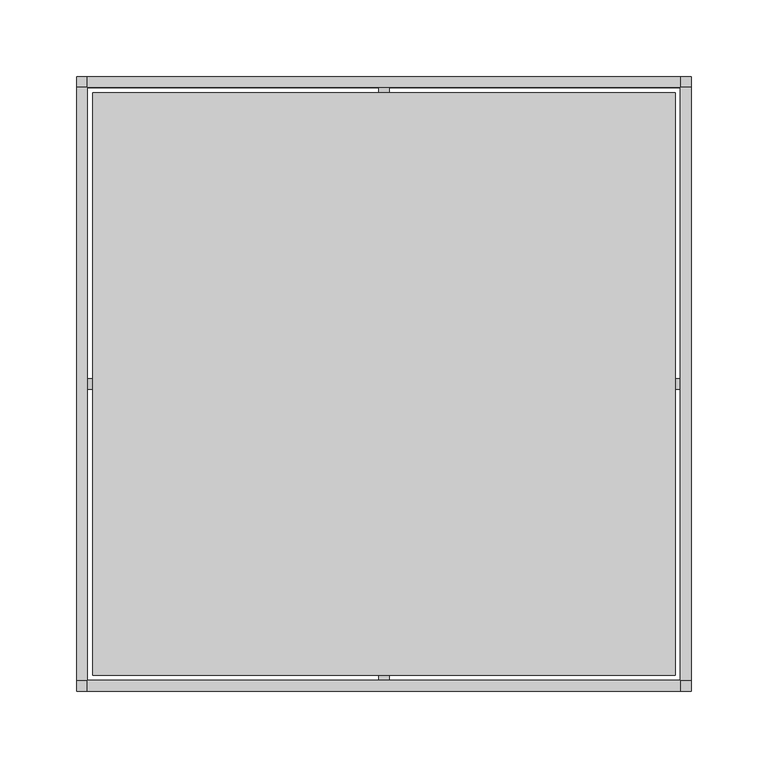
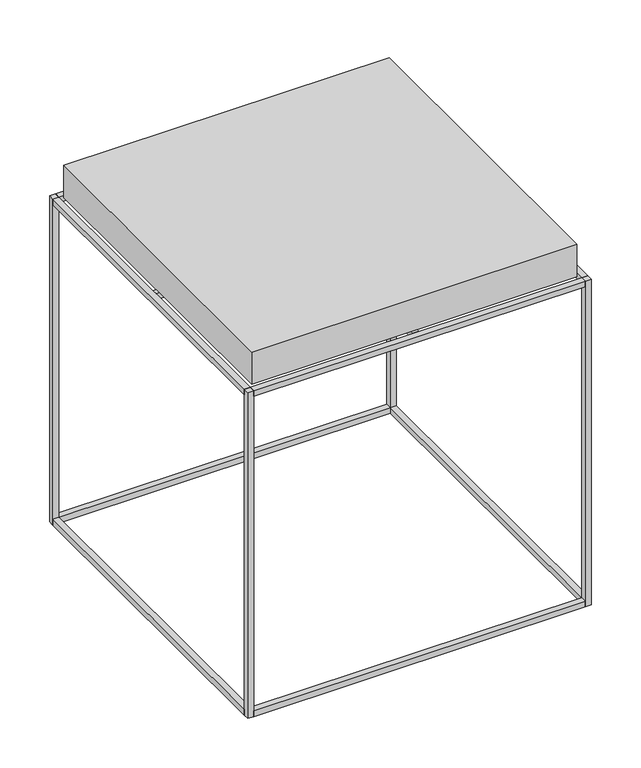
"""IFC4 building model written with IfcOpenShell, lengths in millimetres: furniture geometry."""

import ifcopenshell
import ifcopenshell.guid

model = None  # the IFC model being written
_history = None  # IfcOwnerHistory: only IFC2X3 demands one
_inside = {}  # id of a spatial element -> (the spatial element, [elements in it])
_under = {}  # id of a project, library or spatial element -> (it, [spatial elements below it])
_declared = {}  # id of a project -> (the project, [libraries it declares])
_typed = {}  # id of a type object -> (the type object, [elements of that type])
_made_of = {}  # id of a material, layer set ... -> (it, [elements and type objects made of it])


def new_model(schema):
    """Start an empty IFC model of exactly this schema.

    Asked for "IFC4X3", IfcOpenShell would pick the latest addendum, in which some entities
    have other attributes; the version numbers below select the first issue.
    IFC2X3 requires an IfcOwnerHistory on every rooted entity: one is made here for all.
    """
    global model, _history
    if schema == "IFC4X3":
        model = ifcopenshell.file(schema_version=(4, 3, 0, 0))
    else:
        model = ifcopenshell.file(schema=schema)
    _inside.clear()
    _under.clear()
    _declared.clear()
    _typed.clear()
    _made_of.clear()
    _history = None
    if model.schema == "IFC2X3":
        org = make("IfcOrganization", Name="unknown")
        user = make(
            "IfcPersonAndOrganization",
            ThePerson=make("IfcPerson", FamilyName="unknown"),
            TheOrganization=org,
        )
        app = make(
            "IfcApplication",
            ApplicationDeveloper=org,
            Version="unknown",
            ApplicationFullName="unknown",
            ApplicationIdentifier="unknown",
        )
        _history = make(
            "IfcOwnerHistory",
            OwningUser=user,
            OwningApplication=app,
            ChangeAction="ADDED",
            CreationDate=0,
        )
    return model


def make(cls, **values):
    """One entity of the class cls with the attributes given. An attribute that is None is left unset."""
    return model.create_entity(
        cls, **{name: value for name, value in values.items() if value is not None}
    )


def rooted(cls, **values):
    """An entity with a GlobalId (a new one), such as an element, a storey or a relation."""
    return make(cls, GlobalId=ifcopenshell.guid.new(), OwnerHistory=_history, **values)


def si_unit(unit_type, name, prefix=None):
    """IfcSIUnit, for example si_unit("LENGTHUNIT", "METRE", prefix="MILLI")."""
    return make("IfcSIUnit", UnitType=unit_type, Prefix=prefix, Name=name)


def assignment(units):
    """IfcUnitAssignment: the units of a project."""
    return None if units is None else make("IfcUnitAssignment", Units=units)


def point(xyz):
    """IfcCartesianPoint."""
    return None if xyz is None else make("IfcCartesianPoint", Coordinates=xyz)


def direction(xyz):
    """IfcDirection."""
    return None if xyz is None else make("IfcDirection", DirectionRatios=xyz)


def frame(location, z_axis=None, x_axis=None):
    """IfcAxis2Placement3D, a coordinate frame: its origin and axes. An axis left out is left unset."""
    return make(
        "IfcAxis2Placement3D",
        Location=point(location),
        Axis=direction(z_axis),
        RefDirection=direction(x_axis),
    )


def origin():
    """The frame at (0, 0, 0) with its axes left unset."""
    return frame((0.0, 0.0, 0.0))


def origin_with_axes():
    """The frame at (0, 0, 0) with the z axis (0, 0, 1) and the x axis (1, 0, 0) written out."""
    return frame((0.0, 0.0, 0.0), z_axis=(0.0, 0.0, 1.0), x_axis=(1.0, 0.0, 0.0))


def place(relative_to, where):
    """IfcLocalPlacement: puts the frame where relative to a parent placement (None: the world)."""
    return make(
        "IfcLocalPlacement", PlacementRelTo=relative_to, RelativePlacement=where
    )


def context(
    kind, dimensions, precision=None, world=None, true_north=None, identifier=None
):
    """IfcGeometricRepresentationContext, for example the 3D "Model" context."""
    return make(
        "IfcGeometricRepresentationContext",
        ContextIdentifier=identifier,
        ContextType=kind,
        CoordinateSpaceDimension=dimensions,
        Precision=precision,
        WorldCoordinateSystem=world,
        TrueNorth=true_north,
    )


def project(units=None, contexts=None):
    """IfcProject with its units and contexts."""
    return rooted(
        "IfcProject",
        Name="project",
        RepresentationContexts=contexts,
        UnitsInContext=assignment(units),
    )


def spatial(cls, under=None, at=None, **own):
    """A site, building, storey or space (cls), placed at a placement, below another one or the project."""
    s = rooted(cls, ObjectPlacement=at, **own)
    if under is not None:
        _under.setdefault(under.id(), (under, []))[1].append(s)
    return s


def polyline(points):
    """IfcPolyline through the points."""
    return make("IfcPolyline", Points=[point(p) for p in points])


def outline(outer, holes=None, kind="AREA"):
    """IfcArbitraryClosedProfileDef: a profile drawn as a closed curve; with holes, ...WithVoids."""
    if holes is None:
        return make("IfcArbitraryClosedProfileDef", ProfileType=kind, OuterCurve=outer)
    return make(
        "IfcArbitraryProfileDefWithVoids",
        ProfileType=kind,
        OuterCurve=outer,
        InnerCurves=holes,
    )


def extrude(swept, where, along, depth):
    """IfcExtrudedAreaSolid: the profile swept, set in the frame where, extruded along a direction by depth."""
    return make(
        "IfcExtrudedAreaSolid",
        SweptArea=swept,
        Position=where,
        ExtrudedDirection=direction(along),
        Depth=depth,
    )


def shape(context_of_items, identifier, shape_type, items):
    """IfcShapeRepresentation: the items that make up one representation, for example the "Body"."""
    return make(
        "IfcShapeRepresentation",
        ContextOfItems=context_of_items,
        RepresentationIdentifier=identifier,
        RepresentationType=shape_type,
        Items=items,
    )


def source(mapping_origin, context_of_items, identifier, shape_type, items):
    """IfcRepresentationMap: a shape defined once, which mapped items show again and again."""
    return make(
        "IfcRepresentationMap",
        MappingOrigin=mapping_origin,
        MappedRepresentation=shape(context_of_items, identifier, shape_type, items),
    )


def transform(
    local_origin,
    x_axis=None,
    y_axis=None,
    z_axis=None,
    scale=None,
    scale2=None,
    scale3=None,
    uniform=True,
):
    """IfcCartesianTransformationOperator3D, or its non-uniform kind. x_axis, y_axis, z_axis: its Axis1, 2, 3."""
    if uniform:
        return make(
            "IfcCartesianTransformationOperator3D",
            Axis1=direction(x_axis),
            Axis2=direction(y_axis),
            LocalOrigin=point(local_origin),
            Scale=scale,
            Axis3=direction(z_axis),
        )
    return make(
        "IfcCartesianTransformationOperator3DnonUniform",
        Axis1=direction(x_axis),
        Axis2=direction(y_axis),
        LocalOrigin=point(local_origin),
        Scale=scale,
        Axis3=direction(z_axis),
        Scale2=scale2,
        Scale3=scale3,
    )


def mapped(mapping_source, mapping_target):
    """IfcMappedItem: shows the shape of a source again, moved by a transform."""
    return make(
        "IfcMappedItem", MappingSource=mapping_source, MappingTarget=mapping_target
    )


def made_of(thing, what):
    """Note that an element or type object is made of a material, layer set ...; save() writes the relation."""
    if what is not None:
        _made_of.setdefault(what.id(), (what, []))[1].append(thing)
    return thing


def element(
    cls,
    number,
    at=None,
    inside=None,
    cuts=None,
    type_object=None,
    material=None,
    context=None,
    identifier="Body",
    shape_type=None,
    held_by="IfcProductDefinitionShape",
    body=None,
    shapes=None,
    **own,
):
    """One element of the class cls, such as IfcWall. Its Tag is "e" and its number.

    at: its placement. inside: the storey or other place that contains it. cuts: it is an
    opening in that element (IfcRelVoidsElement). A single representation is given by context,
    identifier, shape_type and body (its items); several are given by shapes. held_by: the class
    of the entity that holds the representations. save() writes the other relations.
    """
    e = rooted(cls, Tag="e%d" % number, ObjectPlacement=at, **own)
    if body is not None:
        shapes = [shape(context, identifier, shape_type, body)]
    if shapes is not None:
        e.Representation = make(held_by, Representations=shapes)
    if inside is not None:
        _inside.setdefault(inside.id(), (inside, []))[1].append(e)
    if cuts is not None:
        rooted(
            "IfcRelVoidsElement", RelatingBuildingElement=cuts, RelatedOpeningElement=e
        )
    if type_object is not None:
        _typed.setdefault(type_object.id(), (type_object, []))[1].append(e)
    return made_of(e, material)


def aggregate(whole, parts):
    """IfcRelAggregates: a whole, such as a stair, and the parts it consists of."""
    return rooted("IfcRelAggregates", RelatingObject=whole, RelatedObjects=parts)


def save(model, path):
    """Write the relations noted so far, then the file.

    IfcRelAggregates (storeys below a building ...), IfcRelContainedInSpatialStructure (elements
    in a storey), IfcRelDefinesByType, IfcRelAssociatesMaterial and IfcRelDeclares: one each for
    every whole, place, type object, material and project.
    """
    for whole, parts in _under.values():
        aggregate(whole, parts)
    for where, things in _inside.values():
        rooted(
            "IfcRelContainedInSpatialStructure",
            RelatedElements=things,
            RelatingStructure=where,
        )
    for kind, things in _typed.values():
        rooted("IfcRelDefinesByType", RelatedObjects=things, RelatingType=kind)
    for what, things in _made_of.values():
        rooted("IfcRelAssociatesMaterial", RelatedObjects=things, RelatingMaterial=what)
    for by, libraries in _declared.values():
        rooted("IfcRelDeclares", RelatingContext=by, RelatedDefinitions=libraries)
    model.write(path)


def furniture_7c102403(model_context):
    return source(origin(), model_context, "Body", "SweptSolid", [
        extrude(outline(polyline([(193.1961501, 200.209391), (193.1961501, 193.1961381), (-193.1961683, 193.1961381), (-193.1961683, 200.209391), (193.1961501, 200.209391)])), frame((0.0, 0.0, 394.703851), z_axis=(0.0, 0.0, 1.0), x_axis=(1.0, 0.0, 0.0)), (0.0, 0.0, 1.0), 6.9800245),
        extrude(outline(polyline([(193.1961501, -193.1961381), (193.1961501, -200.209391), (-193.1961683, -200.209391), (-193.1961683, -193.1961381), (193.1961501, -193.1961381)])), frame((0.0, 0.0, 394.703851), z_axis=(0.0, 0.0, 1.0), x_axis=(1.0, 0.0, 0.0)), (0.0, 0.0, 1.0), 6.9800245),
        extrude(outline(polyline([(193.1961501, -193.1961381), (193.1961501, -200.209391), (-193.1961683, -200.209391), (-193.1961683, -193.1961381), (193.1961501, -193.1961381)])), origin_with_axes(), (0.0, 0.0, 1.0), 6.9800245),
        extrude(outline(polyline([(193.1961501, 200.209391), (193.1961501, 193.1961381), (-193.1961683, 193.1961381), (-193.1961683, 200.209391), (193.1961501, 200.209391)])), origin_with_axes(), (0.0, 0.0, 1.0), 6.9800245),
        extrude(outline(polyline([(-193.1961501, -193.1961381), (-200.209391, -193.1961381), (-200.209391, 193.1961381), (-193.1961501, 193.1961381), (-193.1961501, -193.1961381)])), frame((0.0, 0.0, 394.703851), z_axis=(0.0, 0.0, 1.0), x_axis=(1.0, 0.0, 0.0)), (0.0, 0.0, 1.0), 6.9800245),
        extrude(outline(polyline([(200.209391, -193.1961381), (193.1961501, -193.1961381), (193.1961501, 193.1961381), (200.209391, 193.1961381), (200.209391, -193.1961381)])), frame((0.0, 0.0, 394.703851), z_axis=(0.0, 0.0, 1.0), x_axis=(1.0, 0.0, 0.0)), (0.0, 0.0, 1.0), 6.9800245),
        extrude(outline(polyline([(200.209391, -193.1961381), (193.1961501, -193.1961381), (193.1961501, 193.1961381), (200.209391, 193.1961381), (200.209391, -193.1961381)])), origin_with_axes(), (0.0, 0.0, 1.0), 6.9800245),
        extrude(outline(polyline([(-193.1961683, -193.1961381), (-200.2094092, -193.1961381), (-200.2094092, 193.1961381), (-193.1961683, 193.1961381), (-193.1961683, -193.1961381)])), origin_with_axes(), (0.0, 0.0, 1.0), 6.9800245),
        extrude(outline(polyline([(-193.194951, 200.209391), (-193.194951, 193.1961381), (-200.2094001, 193.1961381), (-200.2094001, 200.209391), (-193.194951, 200.209391)])), origin_with_axes(), (0.0, 0.0, 1.0), 401.6838756),
        extrude(outline(polyline([(-193.194951, -200.209391), (-200.2094001, -200.209391), (-200.2094001, -193.1961381), (-193.194951, -193.1961381), (-193.194951, -200.209391)])), origin_with_axes(), (0.0, 0.0, 1.0), 401.6838756),
        extrude(outline(polyline([(193.194951, 200.209391), (200.2094001, 200.209391), (200.2094001, 193.1961381), (193.194951, 193.1961381), (193.194951, 200.209391)])), origin_with_axes(), (0.0, 0.0, 1.0), 401.6838756),
        extrude(outline(polyline([(193.194951, -200.209391), (193.194951, -193.1961381), (200.2094001, -193.1961381), (200.2094001, -200.209391), (193.194951, -200.209391)])), origin_with_axes(), (0.0, 0.0, 1.0), 401.6838756),
        extrude(outline(polyline([(-3.4900111, 3.490002), (-3.4900111, 193.1961381), (3.489993, 193.1961381), (3.489993, 3.4900023), (193.1961501, 3.4900021), (193.1961501, -3.4900019), (3.4899934, -3.490002), (3.4899931, -193.1961381), (-3.4900111, -193.1961381), (-3.4900111, -3.4900023), (-193.1961683, -3.4900021), (-193.1961683, 3.4900019), (-3.4900111, 3.490002)])), frame((0.0, 0.0, 394.703851), z_axis=(0.0, 0.0, 1.0), x_axis=(1.0, 0.0, 0.0)), (0.0, 0.0, 1.0), 6.9800245),
        extrude(outline(polyline([(189.8105737, 189.6845715), (189.8105737, -189.8105435), (-189.6846017, -189.8105435), (-189.6846017, 189.6845715), (189.8105737, 189.6845715)])), frame((0.0, 0.0, 401.90101), z_axis=(0.0, 0.0, 1.0), x_axis=(1.0, 0.0, 0.0)), (0.0, 0.0, 1.0), 39.999993),
    ])


if __name__ == "__main__":
    model = new_model("IFC4")
    model_context = context("Model", 3, world=origin())
    ifc_project = project(units=[si_unit("LENGTHUNIT", "METRE", prefix="MILLI")], contexts=[model_context])
    site = spatial("IfcSite", under=ifc_project)
    building = spatial("IfcBuilding", under=site)
    placement = place(None, origin())
    furniture_shape = furniture_7c102403(model_context)
    element("IfcFurniture", 1, at=placement, inside=building, context=model_context, shape_type="MappedRepresentation", body=[
        mapped(furniture_shape, transform((0.0, 0.0, 0.0), x_axis=(1.0, 0.0, 0.0), y_axis=(0.0, 1.0, 0.0), z_axis=(0.0, 0.0, 1.0))),
    ])
    save(model, "model.ifc")
